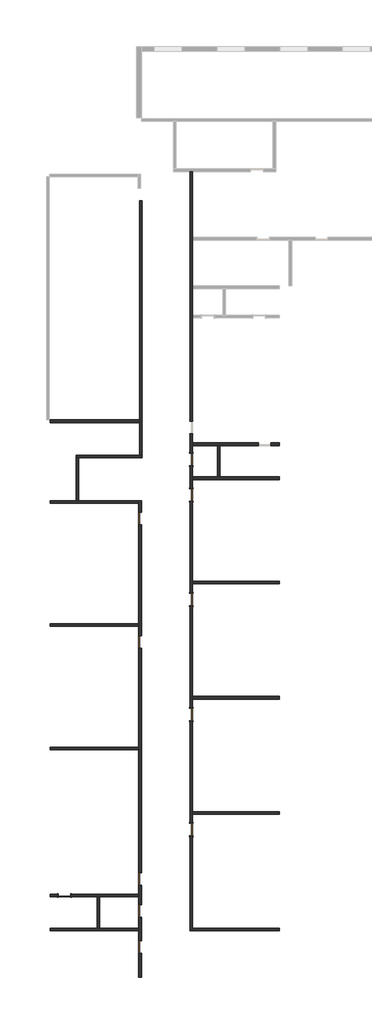
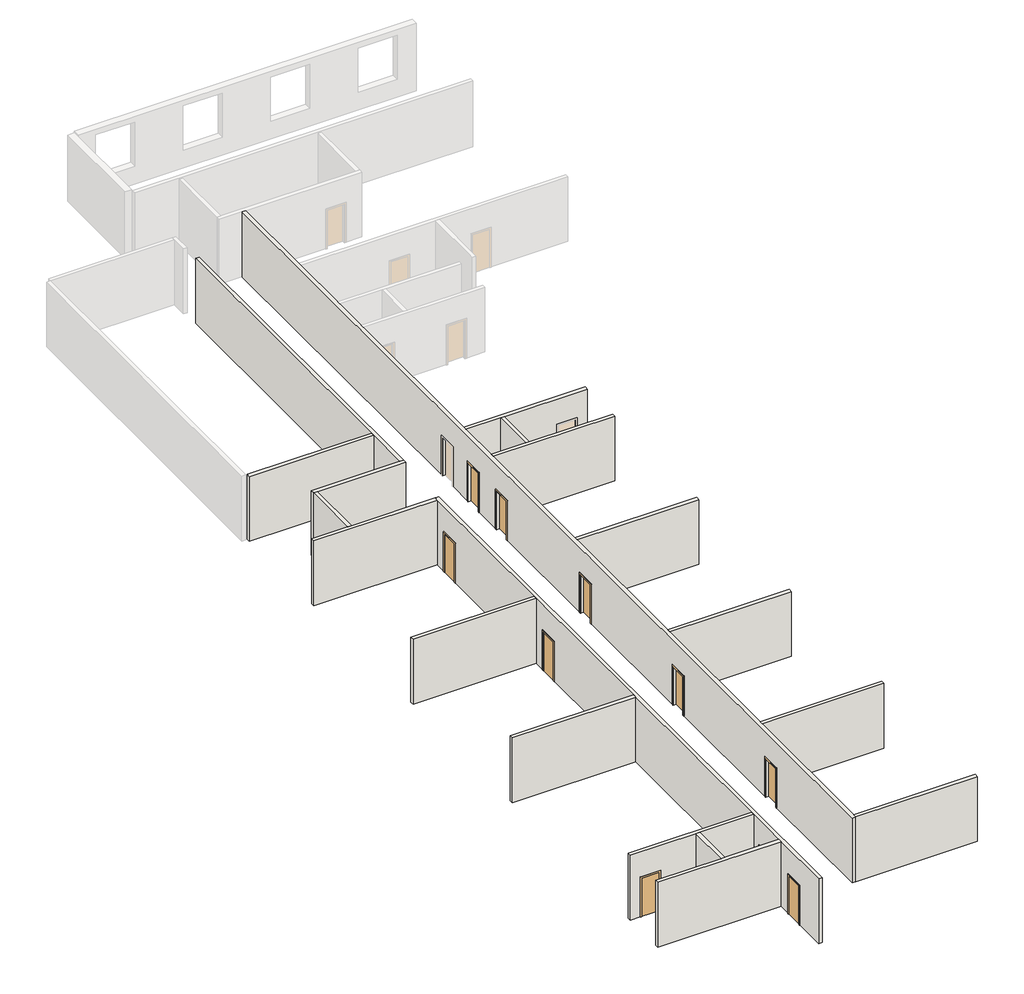
# One storey, part 1 of 2: 19 walls, 11 doors.
"""IFC4 building model written with IfcOpenShell, lengths in millimetres."""

import ifcopenshell
import ifcopenshell.guid

model = None  # the IFC model being written
_history = None  # IfcOwnerHistory: only IFC2X3 demands one
_inside = {}  # id of a spatial element -> (the spatial element, [elements in it])
_under = {}  # id of a project, library or spatial element -> (it, [spatial elements below it])
_declared = {}  # id of a project -> (the project, [libraries it declares])
_typed = {}  # id of a type object -> (the type object, [elements of that type])
_made_of = {}  # id of a material, layer set ... -> (it, [elements and type objects made of it])


def new_model(schema):
    """Start an empty IFC model of exactly this schema.

    Asked for "IFC4X3", IfcOpenShell would pick the latest addendum, in which some entities
    have other attributes; the version numbers below select the first issue.
    IFC2X3 requires an IfcOwnerHistory on every rooted entity: one is made here for all.
    """
    global model, _history
    if schema == "IFC4X3":
        model = ifcopenshell.file(schema_version=(4, 3, 0, 0))
    else:
        model = ifcopenshell.file(schema=schema)
    _inside.clear()
    _under.clear()
    _declared.clear()
    _typed.clear()
    _made_of.clear()
    _history = None
    if model.schema == "IFC2X3":
        org = make("IfcOrganization", Name="unknown")
        user = make(
            "IfcPersonAndOrganization",
            ThePerson=make("IfcPerson", FamilyName="unknown"),
            TheOrganization=org,
        )
        app = make(
            "IfcApplication",
            ApplicationDeveloper=org,
            Version="unknown",
            ApplicationFullName="unknown",
            ApplicationIdentifier="unknown",
        )
        _history = make(
            "IfcOwnerHistory",
            OwningUser=user,
            OwningApplication=app,
            ChangeAction="ADDED",
            CreationDate=0,
        )
    return model


def make(cls, **values):
    """One entity of the class cls with the attributes given. An attribute that is None is left unset."""
    return model.create_entity(
        cls, **{name: value for name, value in values.items() if value is not None}
    )


def rooted(cls, **values):
    """An entity with a GlobalId (a new one), such as an element, a storey or a relation."""
    return make(cls, GlobalId=ifcopenshell.guid.new(), OwnerHistory=_history, **values)


def si_unit(unit_type, name, prefix=None):
    """IfcSIUnit, for example si_unit("LENGTHUNIT", "METRE", prefix="MILLI")."""
    return make("IfcSIUnit", UnitType=unit_type, Prefix=prefix, Name=name)


def assignment(units):
    """IfcUnitAssignment: the units of a project."""
    return None if units is None else make("IfcUnitAssignment", Units=units)


def point(xyz):
    """IfcCartesianPoint."""
    return None if xyz is None else make("IfcCartesianPoint", Coordinates=xyz)


def direction(xyz):
    """IfcDirection."""
    return None if xyz is None else make("IfcDirection", DirectionRatios=xyz)


def frame(location, z_axis=None, x_axis=None):
    """IfcAxis2Placement3D, a coordinate frame: its origin and axes. An axis left out is left unset."""
    return make(
        "IfcAxis2Placement3D",
        Location=point(location),
        Axis=direction(z_axis),
        RefDirection=direction(x_axis),
    )


def origin():
    """The frame at (0, 0, 0) with its axes left unset."""
    return frame((0.0, 0.0, 0.0))


def origin_with_axes():
    """The frame at (0, 0, 0) with the z axis (0, 0, 1) and the x axis (1, 0, 0) written out."""
    return frame((0.0, 0.0, 0.0), z_axis=(0.0, 0.0, 1.0), x_axis=(1.0, 0.0, 0.0))


def place(relative_to, where):
    """IfcLocalPlacement: puts the frame where relative to a parent placement (None: the world)."""
    return make(
        "IfcLocalPlacement", PlacementRelTo=relative_to, RelativePlacement=where
    )


def context(
    kind, dimensions, precision=None, world=None, true_north=None, identifier=None
):
    """IfcGeometricRepresentationContext, for example the 3D "Model" context."""
    return make(
        "IfcGeometricRepresentationContext",
        ContextIdentifier=identifier,
        ContextType=kind,
        CoordinateSpaceDimension=dimensions,
        Precision=precision,
        WorldCoordinateSystem=world,
        TrueNorth=true_north,
    )


def project(units=None, contexts=None):
    """IfcProject with its units and contexts."""
    return rooted(
        "IfcProject",
        Name="project",
        RepresentationContexts=contexts,
        UnitsInContext=assignment(units),
    )


def spatial(cls, under=None, at=None, **own):
    """A site, building, storey or space (cls), placed at a placement, below another one or the project."""
    s = rooted(cls, ObjectPlacement=at, **own)
    if under is not None:
        _under.setdefault(under.id(), (under, []))[1].append(s)
    return s


def polyline(points):
    """IfcPolyline through the points."""
    return make("IfcPolyline", Points=[point(p) for p in points])


def outline(outer, holes=None, kind="AREA"):
    """IfcArbitraryClosedProfileDef: a profile drawn as a closed curve; with holes, ...WithVoids."""
    if holes is None:
        return make("IfcArbitraryClosedProfileDef", ProfileType=kind, OuterCurve=outer)
    return make(
        "IfcArbitraryProfileDefWithVoids",
        ProfileType=kind,
        OuterCurve=outer,
        InnerCurves=holes,
    )


def extrude(swept, where, along, depth):
    """IfcExtrudedAreaSolid: the profile swept, set in the frame where, extruded along a direction by depth."""
    return make(
        "IfcExtrudedAreaSolid",
        SweptArea=swept,
        Position=where,
        ExtrudedDirection=direction(along),
        Depth=depth,
    )


def faces_of(points, faces, orient=None, outer=None):
    """IfcFace entities. A face is a list of loops; a loop is a list of indices into points, from 0.

    orient and outer hold one flag for each loop. By default every Orientation is true, the
    first loop of a face is its IfcFaceOuterBound and the others are IfcFaceBound.
    """
    made = []
    for i, loops in enumerate(faces):
        bounds = []
        for j, loop in enumerate(loops):
            is_outer = j == 0 if outer is None else outer[i][j]
            bounds.append(
                make(
                    "IfcFaceOuterBound" if is_outer else "IfcFaceBound",
                    Bound=make("IfcPolyLoop", Polygon=[points[k] for k in loop]),
                    Orientation=True if orient is None else orient[i][j],
                )
            )
        made.append(make("IfcFace", Bounds=bounds))
    return made


def faceted_brep(points, faces, orient=None, outer=None, voids=None):
    """IfcFacetedBrep: a solid bounded by flat faces; with voids (closed shells), ...WithVoids."""
    shared = [point(p) for p in points]
    hull = make("IfcClosedShell", CfsFaces=faces_of(shared, faces, orient, outer))
    if voids is None:
        return make("IfcFacetedBrep", Outer=hull)
    return make(
        "IfcFacetedBrepWithVoids",
        Outer=hull,
        Voids=[
            make(cls, CfsFaces=faces_of(shared, fs, o, b)) for cls, fs, o, b in voids
        ],
    )


def shape(context_of_items, identifier, shape_type, items):
    """IfcShapeRepresentation: the items that make up one representation, for example the "Body"."""
    return make(
        "IfcShapeRepresentation",
        ContextOfItems=context_of_items,
        RepresentationIdentifier=identifier,
        RepresentationType=shape_type,
        Items=items,
    )


def source(mapping_origin, context_of_items, identifier, shape_type, items):
    """IfcRepresentationMap: a shape defined once, which mapped items show again and again."""
    return make(
        "IfcRepresentationMap",
        MappingOrigin=mapping_origin,
        MappedRepresentation=shape(context_of_items, identifier, shape_type, items),
    )


def transform(
    local_origin,
    x_axis=None,
    y_axis=None,
    z_axis=None,
    scale=None,
    scale2=None,
    scale3=None,
    uniform=True,
):
    """IfcCartesianTransformationOperator3D, or its non-uniform kind. x_axis, y_axis, z_axis: its Axis1, 2, 3."""
    if uniform:
        return make(
            "IfcCartesianTransformationOperator3D",
            Axis1=direction(x_axis),
            Axis2=direction(y_axis),
            LocalOrigin=point(local_origin),
            Scale=scale,
            Axis3=direction(z_axis),
        )
    return make(
        "IfcCartesianTransformationOperator3DnonUniform",
        Axis1=direction(x_axis),
        Axis2=direction(y_axis),
        LocalOrigin=point(local_origin),
        Scale=scale,
        Axis3=direction(z_axis),
        Scale2=scale2,
        Scale3=scale3,
    )


def mapped(mapping_source, mapping_target):
    """IfcMappedItem: shows the shape of a source again, moved by a transform."""
    return make(
        "IfcMappedItem", MappingSource=mapping_source, MappingTarget=mapping_target
    )


def made_of(thing, what):
    """Note that an element or type object is made of a material, layer set ...; save() writes the relation."""
    if what is not None:
        _made_of.setdefault(what.id(), (what, []))[1].append(thing)
    return thing


def element(
    cls,
    number,
    at=None,
    inside=None,
    cuts=None,
    type_object=None,
    material=None,
    context=None,
    identifier="Body",
    shape_type=None,
    held_by="IfcProductDefinitionShape",
    body=None,
    shapes=None,
    **own,
):
    """One element of the class cls, such as IfcWall. Its Tag is "e" and its number.

    at: its placement. inside: the storey or other place that contains it. cuts: it is an
    opening in that element (IfcRelVoidsElement). A single representation is given by context,
    identifier, shape_type and body (its items); several are given by shapes. held_by: the class
    of the entity that holds the representations. save() writes the other relations.
    """
    e = rooted(cls, Tag="e%d" % number, ObjectPlacement=at, **own)
    if body is not None:
        shapes = [shape(context, identifier, shape_type, body)]
    if shapes is not None:
        e.Representation = make(held_by, Representations=shapes)
    if inside is not None:
        _inside.setdefault(inside.id(), (inside, []))[1].append(e)
    if cuts is not None:
        rooted(
            "IfcRelVoidsElement", RelatingBuildingElement=cuts, RelatedOpeningElement=e
        )
    if type_object is not None:
        _typed.setdefault(type_object.id(), (type_object, []))[1].append(e)
    return made_of(e, material)


def aggregate(whole, parts):
    """IfcRelAggregates: a whole, such as a stair, and the parts it consists of."""
    return rooted("IfcRelAggregates", RelatingObject=whole, RelatedObjects=parts)


def save(model, path):
    """Write the relations noted so far, then the file.

    IfcRelAggregates (storeys below a building ...), IfcRelContainedInSpatialStructure (elements
    in a storey), IfcRelDefinesByType, IfcRelAssociatesMaterial and IfcRelDeclares: one each for
    every whole, place, type object, material and project.
    """
    for whole, parts in _under.values():
        aggregate(whole, parts)
    for where, things in _inside.values():
        rooted(
            "IfcRelContainedInSpatialStructure",
            RelatedElements=things,
            RelatingStructure=where,
        )
    for kind, things in _typed.values():
        rooted("IfcRelDefinesByType", RelatedObjects=things, RelatingType=kind)
    for what, things in _made_of.values():
        rooted("IfcRelAssociatesMaterial", RelatedObjects=things, RelatingMaterial=what)
    for by, libraries in _declared.values():
        rooted("IfcRelDeclares", RelatingContext=by, RelatedDefinitions=libraries)
    model.write(path)


def door_3426d443(model_context):
    return source(origin(), model_context, "Body", "SweptSolid", [
        extrude(outline(polyline([(2209.8, -533.4), (0.0, -533.4), (0.0, -457.2), (2133.6, -457.2), (2133.6, 457.2), (0.0, 457.2), (0.0, 533.4), (2209.8, 533.4), (2209.8, -533.4)])), frame((0.0, -122.2375, 0.0), z_axis=(0.0, 1.0, 0.0), x_axis=(0.0, 0.0, 1.0)), (0.0, 0.0, 1.0), 25.4),
        extrude(outline(polyline([(2209.8, 533.4), (2209.8, -533.4), (0.0, -533.4), (0.0, -457.2), (2133.6, -457.2), (2133.6, 457.2), (0.0, 457.2), (0.0, 533.4), (2209.8, 533.4)])), frame((0.0, 96.8375, 0.0), z_axis=(0.0, 1.0, 0.0), x_axis=(0.0, 0.0, 1.0)), (0.0, 0.0, 1.0), 25.4),
        extrude(outline(polyline([(457.2, -46.0375), (457.2, -96.8375), (-457.2, -96.8375), (-457.2, -46.0375), (457.2, -46.0375)])), origin_with_axes(), (0.0, 0.0, 1.0), 2133.6),
    ])


def door_d6d25fb4(model_context):
    return source(origin(), model_context, "Body", "SweptSolid", [
        extrude(outline(polyline([(2209.8, -533.4), (0.0, -533.4), (0.0, -457.2), (2133.6, -457.2), (2133.6, 457.2), (0.0, 457.2), (0.0, 533.4), (2209.8, 533.4), (2209.8, -533.4)])), frame((0.0, 96.8375, 0.0), z_axis=(0.0, 1.0, 0.0), x_axis=(0.0, 0.0, 1.0)), (0.0, 0.0, 1.0), 25.4),
        extrude(outline(polyline([(2209.8, 533.4), (2209.8, -533.4), (0.0, -533.4), (0.0, -457.2), (2133.6, -457.2), (2133.6, 457.2), (0.0, 457.2), (0.0, 533.4), (2209.8, 533.4)])), frame((0.0, -122.2375, 0.0), z_axis=(0.0, 1.0, 0.0), x_axis=(0.0, 0.0, 1.0)), (0.0, 0.0, 1.0), 25.4),
        extrude(outline(polyline([(457.2, 46.0375), (-457.2, 46.0375), (-457.2, 96.8375), (457.2, 96.8375), (457.2, 46.0375)])), origin_with_axes(), (0.0, 0.0, 1.0), 2133.6),
    ])


model = new_model("IFC4")

# Units and contexts
model_context = context("Model", 3, world=origin())
ifc_project = project(units=[si_unit("LENGTHUNIT", "METRE", prefix="MILLI")], contexts=[model_context])

# Site, building, storey
site = spatial("IfcSite", under=ifc_project)
building = spatial("IfcBuilding", under=site)
storey = spatial("IfcBuildingStorey", under=building, Elevation=3581.4)

# Doors
placement = place(None, origin())
door_shape = door_3426d443(model_context)
element("IfcDoor", 1, ObjectType="Single-Flush : 36\" x 84\" Black Door", at=placement, inside=storey, context=model_context, shape_type="MappedRepresentation", body=[
    mapped(door_shape, transform((-324689.9293555, 147253.9725981, 3581.4), x_axis=(0.0, 1.0, 0.0), y_axis=(-1.0, 0.0, 0.0), z_axis=(0.0, 0.0, 1.0))),
])
element("IfcDoor", 2, ObjectType="Single-Flush : 36\" x 84\" Black Door", at=placement, inside=storey, context=model_context, shape_type="MappedRepresentation", body=[
    mapped(door_shape, transform((-328407.8543555, 143677.3350981, 3581.4), x_axis=(0.0, -1.0, 0.0), y_axis=(1.0, 0.0, 0.0), z_axis=(0.0, 0.0, 1.0))),
])
element("IfcDoor", 3, ObjectType="Single-Flush : 36\" x 84\" Black Door", at=placement, inside=storey, context=model_context, shape_type="MappedRepresentation", body=[
    mapped(door_shape, transform((-324689.9293555, 155635.9725981, 3581.4), x_axis=(0.0, 1.0, 0.0), y_axis=(-1.0, 0.0, 0.0), z_axis=(0.0, 0.0, 1.0))),
])
element("IfcDoor", 4, ObjectType="Single-Flush : 36\" x 84\" Black Door", at=placement, inside=storey, context=model_context, shape_type="MappedRepresentation", body=[
    mapped(door_shape, transform((-324689.9293555, 164017.9725981, 3581.4), x_axis=(0.0, 1.0, 0.0), y_axis=(-1.0, 0.0, 0.0), z_axis=(0.0, 0.0, 1.0))),
])
door_2_shape = door_d6d25fb4(model_context)
element("IfcDoor", 5, ObjectType="Single-Flush : 36\" x 84\" Black Door", at=placement, inside=storey, context=model_context, shape_type="MappedRepresentation", body=[
    mapped(door_2_shape, transform((-328407.8543555, 138719.5725981, 3581.4), x_axis=(0.0, 1.0, 0.0), y_axis=(-1.0, 0.0, 0.0), z_axis=(0.0, 0.0, 1.0))),
])
element("IfcDoor", 6, ObjectType="Single-Flush : 36\" x 84\" Black Door", at=placement, inside=storey, context=model_context, shape_type="MappedRepresentation", body=[
    mapped(door_2_shape, transform((-328407.8543555, 141340.5350981, 3581.4), x_axis=(0.0, 1.0, 0.0), y_axis=(-1.0, 0.0, 0.0), z_axis=(0.0, 0.0, 1.0))),
])
element("IfcDoor", 7, ObjectType="Single-Flush : 36\" x 84\" Black Door", at=placement, inside=storey, context=model_context, shape_type="MappedRepresentation", body=[
    mapped(door_2_shape, transform((-333913.3043555, 142458.1350981, 3581.4), x_axis=(-1.0, 0.0, 0.0), y_axis=(0.0, -1.0, 0.0), z_axis=(0.0, 0.0, 1.0))),
])
element("IfcDoor", 8, ObjectType="Single-Flush : 36\" x 84\" Black Door", at=placement, inside=storey, context=model_context, shape_type="MappedRepresentation", body=[
    mapped(door_2_shape, transform((-328407.8543555, 160928.6975981, 3581.4), x_axis=(0.0, 1.0, 0.0), y_axis=(-1.0, 0.0, 0.0), z_axis=(0.0, 0.0, 1.0))),
])
element("IfcDoor", 9, ObjectType="Single-Flush : 36\" x 84\" Black Door", at=placement, inside=storey, context=model_context, shape_type="MappedRepresentation", body=[
    mapped(door_2_shape, transform((-328407.8543555, 169898.0725981, 3581.4), x_axis=(0.0, 1.0, 0.0), y_axis=(-1.0, 0.0, 0.0), z_axis=(0.0, 0.0, 1.0))),
])
element("IfcDoor", 10, ObjectType="Single-Flush : 36\" x 84\" Black Door", at=placement, inside=storey, context=model_context, shape_type="MappedRepresentation", body=[
    mapped(door_2_shape, transform((-324689.9293555, 171625.2725981, 3581.4), x_axis=(0.0, -1.0, 0.0), y_axis=(1.0, 0.0, 0.0), z_axis=(0.0, 0.0, 1.0))),
])
element("IfcDoor", 11, ObjectType="Single-Flush : 36\" x 84\" Black Door", at=placement, inside=storey, context=model_context, shape_type="MappedRepresentation", body=[
    mapped(door_2_shape, transform((-324689.9293555, 174187.4975981, 3581.4), x_axis=(0.0, -1.0, 0.0), y_axis=(1.0, 0.0, 0.0), z_axis=(0.0, 0.0, 1.0))),
])

# Walls
element("IfcWall", 12, ObjectType="CMU", at=placement, inside=storey, context=model_context, shape_type="Brep", body=[
    faceted_brep([(-328311.0168555, 170355.2725981, 5715.0), (-328311.0168555, 170355.2725981, 3581.4), (-328311.0168555, 171214.1100981, 3581.4), (-328311.0168555, 171214.1100981, 7162.8), (-328311.0168555, 136501.8350981, 7162.8), (-328311.0168555, 136501.8350981, 3581.4), (-328311.0168555, 138262.3725981, 3581.4), (-328311.0168555, 138262.3725981, 5715.0), (-328311.0168555, 139176.7725981, 5715.0), (-328311.0168555, 139176.7725981, 3581.4), (-328311.0168555, 140883.3350981, 3581.4), (-328311.0168555, 140883.3350981, 5715.0), (-328311.0168555, 141797.7350981, 5715.0), (-328311.0168555, 141797.7350981, 3581.4), (-328311.0168555, 143220.1350981, 3581.4), (-328311.0168555, 143220.1350981, 5715.0), (-328311.0168555, 144134.5350981, 5715.0), (-328311.0168555, 144134.5350981, 3581.4), (-328311.0168555, 160471.4975981, 3581.4), (-328311.0168555, 160471.4975981, 5715.0), (-328311.0168555, 161385.8975981, 5715.0), (-328311.0168555, 161385.8975981, 3581.4), (-328311.0168555, 169440.8725981, 3581.4), (-328311.0168555, 169440.8725981, 5715.0), (-328504.6918555, 171214.1100981, 3581.4), (-328504.6918555, 171020.4350981, 3581.4), (-328504.6918555, 170355.2725981, 3581.4), (-328504.6918555, 170355.2725981, 5715.0), (-328504.6918555, 169440.8725981, 5715.0), (-328504.6918555, 169440.8725981, 3581.4), (-328504.6918555, 162244.7350981, 3581.4), (-328504.6918555, 162051.0600981, 3581.4), (-328504.6918555, 161385.8975981, 3581.4), (-328504.6918555, 161385.8975981, 5715.0), (-328504.6918555, 160471.4975981, 5715.0), (-328504.6918555, 160471.4975981, 3581.4), (-328504.6918555, 153253.1350981, 3581.4), (-328504.6918555, 153059.4600981, 3581.4), (-328504.6918555, 144134.5350981, 3581.4), (-328504.6918555, 144134.5350981, 5715.0), (-328504.6918555, 143220.1350981, 5715.0), (-328504.6918555, 143220.1350981, 3581.4), (-328504.6918555, 142554.9725981, 3581.4), (-328504.6918555, 142361.2975981, 3581.4), (-328504.6918555, 141797.7350981, 3581.4), (-328504.6918555, 141797.7350981, 5715.0), (-328504.6918555, 140883.3350981, 5715.0), (-328504.6918555, 140883.3350981, 3581.4), (-328504.6918555, 140086.4100981, 3581.4), (-328504.6918555, 139892.7350981, 3581.4), (-328504.6918555, 139176.7725981, 3581.4), (-328504.6918555, 139176.7725981, 5715.0), (-328504.6918555, 138262.3725981, 5715.0), (-328504.6918555, 138262.3725981, 3581.4), (-328504.6918555, 136501.8350981, 3581.4), (-328504.6918555, 136501.8350981, 7162.8), (-328504.6918555, 139892.7350981, 7162.8), (-328504.6918555, 140086.4100981, 7162.8), (-328504.6918555, 142361.2975981, 7162.8), (-328504.6918555, 142554.9725981, 7162.8), (-328504.6918555, 153059.4600981, 7162.8), (-328504.6918555, 153253.1350981, 7162.8), (-328504.6918555, 162051.0600981, 7162.8), (-328504.6918555, 162244.7350981, 7162.8), (-328504.6918555, 171020.4350981, 7162.8), (-328504.6918555, 171214.1100981, 7162.8)], [[[0, 1, 2, 3, 4, 5, 6, 7, 8, 9, 10, 11, 12, 13, 14, 15, 16, 17, 18, 19, 20, 21, 22, 23]], [[24, 25, 26, 27, 28, 29, 30, 31, 32, 33, 34, 35, 36, 37, 38, 39, 40, 41, 42, 43, 44, 45, 46, 47, 48, 49, 50, 51, 52, 53, 54, 55, 56, 57, 58, 59, 60, 61, 62, 63, 64, 65]], [[6, 5, 54, 53]], [[10, 9, 50, 49, 48, 47]], [[44, 43, 42, 41, 14, 13]], [[18, 17, 38, 37, 36, 35]], [[22, 21, 32, 31, 30, 29]], [[2, 1, 26, 25, 24]], [[4, 3, 65, 64, 63, 62, 61, 60, 59, 58, 57, 56, 55]], [[3, 2, 24, 65]], [[5, 4, 55, 54]], [[51, 50, 9, 8]], [[52, 51, 8, 7]], [[53, 52, 7, 6]], [[45, 44, 13, 12]], [[46, 45, 12, 11]], [[47, 46, 11, 10]], [[15, 14, 41, 40]], [[16, 15, 40, 39]], [[17, 16, 39, 38]], [[33, 32, 21, 20]], [[34, 33, 20, 19]], [[35, 34, 19, 18]], [[27, 26, 1, 0]], [[28, 27, 0, 23]], [[29, 28, 23, 22]]]),
])
element("IfcWall", 13, ObjectType="CMU", at=placement, inside=storey, context=model_context, shape_type="Brep", body=[
    faceted_brep([(-328504.6918555, 171214.1100981, 3581.4), (-332875.0793555, 171214.1100981, 3581.4), (-333068.7543555, 171214.1100981, 3581.4), (-334956.2918555, 171214.1100981, 3581.4), (-334956.2918555, 171214.1100981, 7162.8), (-333068.7543555, 171214.1100981, 7162.8), (-332875.0793555, 171214.1100981, 7162.8), (-328504.6918555, 171214.1100981, 7162.8), (-328504.6918555, 171020.4350981, 3581.4), (-328504.6918555, 171020.4350981, 7162.8), (-334956.2918555, 171020.4350981, 7162.8), (-334956.2918555, 171020.4350981, 3581.4)], [[[0, 1, 2, 3, 4, 5, 6, 7]], [[8, 9, 10, 11]], [[3, 2, 1, 0, 8, 11]], [[7, 6, 5, 4, 10, 9]], [[0, 7, 9, 8]], [[4, 3, 11, 10]]]),
])
element("IfcWall", 14, ObjectType="CMU", at=placement, inside=storey, context=model_context, shape_type="SweptSolid", body=[
    extrude(outline(polyline([(-328444.3668555, 176884.6600981), (-334956.2918555, 176884.6600981), (-334956.2918555, 177078.3350981), (-328444.3668555, 177078.3350981), (-328444.3668555, 176884.6600981)])), frame((0.0, 0.0, 3581.4), z_axis=(0.0, 0.0, 1.0), x_axis=(1.0, 0.0, 0.0)), (0.0, 0.0, 1.0), 3581.4),
])
element("IfcWall", 15, ObjectType="CMU", at=placement, inside=storey, context=model_context, shape_type="Brep", body=[
    faceted_brep([(-324593.0918555, 174644.6975981, 3581.4), (-324593.0918555, 175208.2600981, 3581.4), (-324593.0918555, 175401.9350981, 3581.4), (-324593.0918555, 176067.0975981, 3581.4), (-324593.0918555, 176067.0975981, 5715.0), (-324593.0918555, 176981.4975981, 5715.0), (-324593.0918555, 176981.4975981, 3581.4), (-324593.0918555, 184504.6600981, 3581.4), (-324593.0918555, 184698.3350981, 3581.4), (-324593.0918555, 186638.2600981, 3581.4), (-324593.0918555, 186831.9350981, 3581.4), (-324593.0918555, 190172.0350981, 3581.4), (-324593.0918555, 190365.7100981, 3581.4), (-324593.0918555, 195155.1975981, 3581.4), (-324593.0918555, 195155.1975981, 7162.8), (-324593.0918555, 190365.7100981, 7162.8), (-324593.0918555, 190172.0350981, 7162.8), (-324593.0918555, 186831.9350981, 7162.8), (-324593.0918555, 186638.2600981, 7162.8), (-324593.0918555, 184698.3350981, 7162.8), (-324593.0918555, 184504.6600981, 7162.8), (-324593.0918555, 175401.9350981, 7162.8), (-324593.0918555, 175208.2600981, 7162.8), (-324593.0918555, 172933.3725981, 7162.8), (-324593.0918555, 172739.6975981, 7162.8), (-324593.0918555, 165334.0100981, 7162.8), (-324593.0918555, 165140.3350981, 7162.8), (-324593.0918555, 156952.0100981, 7162.8), (-324593.0918555, 156758.3350981, 7162.8), (-324593.0918555, 148570.0100981, 7162.8), (-324593.0918555, 148376.3350981, 7162.8), (-324593.0918555, 140086.4100981, 7162.8), (-324593.0918555, 139892.7350981, 7162.8), (-324593.0918555, 139892.7350981, 3581.4), (-324593.0918555, 140086.4100981, 3581.4), (-324593.0918555, 146796.7725981, 3581.4), (-324593.0918555, 146796.7725981, 5715.0), (-324593.0918555, 147711.1725981, 5715.0), (-324593.0918555, 147711.1725981, 3581.4), (-324593.0918555, 148376.3350981, 3581.4), (-324593.0918555, 148570.0100981, 3581.4), (-324593.0918555, 155178.7725981, 3581.4), (-324593.0918555, 155178.7725981, 5715.0), (-324593.0918555, 156093.1725981, 5715.0), (-324593.0918555, 156093.1725981, 3581.4), (-324593.0918555, 156758.3350981, 3581.4), (-324593.0918555, 156952.0100981, 3581.4), (-324593.0918555, 163560.7725981, 3581.4), (-324593.0918555, 163560.7725981, 5715.0), (-324593.0918555, 164475.1725981, 5715.0), (-324593.0918555, 164475.1725981, 3581.4), (-324593.0918555, 165140.3350981, 3581.4), (-324593.0918555, 165334.0100981, 3581.4), (-324593.0918555, 171168.0725981, 3581.4), (-324593.0918555, 171168.0725981, 5715.0), (-324593.0918555, 172082.4725981, 5715.0), (-324593.0918555, 172082.4725981, 3581.4), (-324593.0918555, 172739.6975981, 3581.4), (-324593.0918555, 172933.3725981, 3581.4), (-324593.0918555, 173730.2975981, 3581.4), (-324593.0918555, 173730.2975981, 5715.0), (-324593.0918555, 174644.6975981, 5715.0), (-324786.7668555, 176067.0975981, 5715.0), (-324786.7668555, 176067.0975981, 3581.4), (-324786.7668555, 174644.6975981, 3581.4), (-324786.7668555, 174644.6975981, 5715.0), (-324786.7668555, 173730.2975981, 5715.0), (-324786.7668555, 173730.2975981, 3581.4), (-324786.7668555, 172082.4725981, 3581.4), (-324786.7668555, 172082.4725981, 5715.0), (-324786.7668555, 171168.0725981, 5715.0), (-324786.7668555, 171168.0725981, 3581.4), (-324786.7668555, 164475.1725981, 3581.4), (-324786.7668555, 164475.1725981, 5715.0), (-324786.7668555, 163560.7725981, 5715.0), (-324786.7668555, 163560.7725981, 3581.4), (-324786.7668555, 156093.1725981, 3581.4), (-324786.7668555, 156093.1725981, 5715.0), (-324786.7668555, 155178.7725981, 5715.0), (-324786.7668555, 155178.7725981, 3581.4), (-324786.7668555, 147711.1725981, 3581.4), (-324786.7668555, 147711.1725981, 5715.0), (-324786.7668555, 146796.7725981, 5715.0), (-324786.7668555, 146796.7725981, 3581.4), (-324786.7668555, 139892.7350981, 3581.4), (-324786.7668555, 139892.7350981, 7162.8), (-324786.7668555, 195155.1975981, 7162.8), (-324786.7668555, 195155.1975981, 3581.4), (-324786.7668555, 176981.4975981, 3581.4), (-324786.7668555, 176981.4975981, 5715.0)], [[[0, 1, 2, 3, 4, 5, 6, 7, 8, 9, 10, 11, 12, 13, 14, 15, 16, 17, 18, 19, 20, 21, 22, 23, 24, 25, 26, 27, 28, 29, 30, 31, 32, 33, 34, 35, 36, 37, 38, 39, 40, 41, 42, 43, 44, 45, 46, 47, 48, 49, 50, 51, 52, 53, 54, 55, 56, 57, 58, 59, 60, 61]], [[62, 63, 64, 65, 66, 67, 68, 69, 70, 71, 72, 73, 74, 75, 76, 77, 78, 79, 80, 81, 82, 83, 84, 85, 86, 87, 88, 89]], [[35, 34, 33, 84, 83]], [[41, 40, 39, 38, 80, 79]], [[47, 46, 45, 44, 76, 75]], [[72, 71, 53, 52, 51, 50]], [[68, 67, 59, 58, 57, 56]], [[88, 87, 13, 12, 11, 10, 9, 8, 7, 6]], [[64, 63, 3, 2, 1, 0]], [[32, 31, 30, 29, 28, 27, 26, 25, 24, 23, 22, 21, 20, 19, 18, 17, 16, 15, 14, 86, 85]], [[33, 32, 85, 84]], [[14, 13, 87, 86]], [[81, 80, 38, 37]], [[82, 81, 37, 36]], [[83, 82, 36, 35]], [[77, 76, 44, 43]], [[78, 77, 43, 42]], [[79, 78, 42, 41]], [[73, 72, 50, 49]], [[74, 73, 49, 48]], [[75, 74, 48, 47]], [[54, 53, 71, 70]], [[55, 54, 70, 69]], [[56, 55, 69, 68]], [[60, 59, 67, 66]], [[61, 60, 66, 65]], [[0, 61, 65, 64]], [[4, 3, 63, 62]], [[5, 4, 62, 89]], [[6, 5, 89, 88]]]),
])
element("IfcWall", 16, ObjectType="CMU", at=placement, inside=storey, context=model_context, shape_type="SweptSolid", body=[
    extrude(outline(polyline([(-318239.9168555, 148376.3350981), (-324593.0918555, 148376.3350981), (-324593.0918555, 148570.0100981), (-318239.9168555, 148570.0100981), (-318239.9168555, 148376.3350981)])), frame((0.0, 0.0, 3581.4), z_axis=(0.0, 0.0, 1.0), x_axis=(1.0, 0.0, 0.0)), (0.0, 0.0, 1.0), 3581.4),
])
element("IfcWall", 17, ObjectType="CMU", at=placement, inside=storey, context=model_context, shape_type="SweptSolid", body=[
    extrude(outline(polyline([(-334956.2918555, 153253.1350981), (-328504.6918555, 153253.1350981), (-328504.6918555, 153059.4600981), (-334956.2918555, 153059.4600981), (-334956.2918555, 153253.1350981)])), frame((0.0, 0.0, 3581.4), z_axis=(0.0, 0.0, 1.0), x_axis=(1.0, 0.0, 0.0)), (0.0, 0.0, 1.0), 3581.4),
])
element("IfcWall", 18, ObjectType="CMU", at=placement, inside=storey, context=model_context, shape_type="SweptSolid", body=[
    extrude(outline(polyline([(-318239.9168555, 156758.3350981), (-324593.0918555, 156758.3350981), (-324593.0918555, 156952.0100981), (-318239.9168555, 156952.0100981), (-318239.9168555, 156758.3350981)])), frame((0.0, 0.0, 3581.4), z_axis=(0.0, 0.0, 1.0), x_axis=(1.0, 0.0, 0.0)), (0.0, 0.0, 1.0), 3581.4),
])
element("IfcWall", 19, ObjectType="CMU", at=placement, inside=storey, context=model_context, shape_type="SweptSolid", body=[
    extrude(outline(polyline([(-334956.2918555, 162244.7350981), (-328504.6918555, 162244.7350981), (-328504.6918555, 162051.0600981), (-334956.2918555, 162051.0600981), (-334956.2918555, 162244.7350981)])), frame((0.0, 0.0, 3581.4), z_axis=(0.0, 0.0, 1.0), x_axis=(1.0, 0.0, 0.0)), (0.0, 0.0, 1.0), 3581.4),
])
element("IfcWall", 20, ObjectType="CMU", at=placement, inside=storey, context=model_context, shape_type="SweptSolid", body=[
    extrude(outline(polyline([(-318239.9168555, 165140.3350981), (-324593.0918555, 165140.3350981), (-324593.0918555, 165334.0100981), (-318239.9168555, 165334.0100981), (-318239.9168555, 165140.3350981)])), frame((0.0, 0.0, 3581.4), z_axis=(0.0, 0.0, 1.0), x_axis=(1.0, 0.0, 0.0)), (0.0, 0.0, 1.0), 3581.4),
])
element("IfcWall", 21, ObjectType="CMU", at=placement, inside=storey, context=model_context, shape_type="Brep", body=[
    faceted_brep([(-328250.6918555, 174516.1100981, 3581.4), (-328250.6918555, 193020.1420048, 3581.4), (-328250.6918555, 193020.1420048, 7162.8), (-328250.6918555, 174516.1100981, 7162.8), (-328444.3668555, 174516.1100981, 3581.4), (-328444.3668555, 174516.1100981, 7162.8), (-328444.3668555, 176884.6600981, 7162.8), (-328444.3668555, 177078.3350981, 7162.8), (-328444.3668555, 193020.1420048, 7162.8), (-328444.3668555, 193020.1420048, 3581.4), (-328444.3668555, 177078.3350981, 3581.4), (-328444.3668555, 176884.6600981, 3581.4)], [[[0, 1, 2, 3]], [[4, 5, 6, 7, 8, 9, 10, 11]], [[1, 0, 4, 11, 10, 9]], [[2, 1, 9, 8]], [[3, 2, 8, 7, 6, 5]], [[0, 3, 5, 4]]]),
])
element("IfcWall", 22, ObjectType="CMU", at=placement, inside=storey, context=model_context, shape_type="Brep", body=[
    faceted_brep([(-334956.2918555, 139892.7350981, 3581.4), (-328504.6918555, 139892.7350981, 3581.4), (-328504.6918555, 139892.7350981, 7162.8), (-334956.2918555, 139892.7350981, 7162.8), (-334956.2918555, 140086.4100981, 3581.4), (-334956.2918555, 140086.4100981, 7162.8), (-331535.2293555, 140086.4100981, 7162.8), (-331341.5543555, 140086.4100981, 7162.8), (-328504.6918555, 140086.4100981, 7162.8), (-328504.6918555, 140086.4100981, 3581.4), (-331341.5543555, 140086.4100981, 3581.4), (-331535.2293555, 140086.4100981, 3581.4)], [[[0, 1, 2, 3]], [[4, 5, 6, 7, 8, 9, 10, 11]], [[1, 0, 4, 11, 10, 9]], [[3, 2, 8, 7, 6, 5]], [[2, 1, 9, 8]], [[0, 3, 5, 4]]]),
])
element("IfcWall", 23, ObjectType="CMU", at=placement, inside=storey, context=model_context, shape_type="SweptSolid", body=[
    extrude(outline(polyline([(-318239.9168555, 139892.7350981), (-324593.0918555, 139892.7350981), (-324593.0918555, 140086.4100981), (-318239.9168555, 140086.4100981), (-318239.9168555, 139892.7350981)])), frame((0.0, 0.0, 3581.4), z_axis=(0.0, 0.0, 1.0), x_axis=(1.0, 0.0, 0.0)), (0.0, 0.0, 1.0), 3581.4),
])
element("IfcWall", 24, ObjectType="CMU", at=placement, inside=storey, context=model_context, shape_type="SweptSolid", body=[
    extrude(outline(polyline([(-322590.7350157, 175208.2600981), (-322590.7350157, 172933.3725981), (-322784.4100157, 172933.3725981), (-322784.4100157, 175208.2600981), (-322590.7350157, 175208.2600981)])), frame((0.0, 0.0, 3581.4), z_axis=(0.0, 0.0, 1.0), x_axis=(1.0, 0.0, 0.0)), (0.0, 0.0, 1.0), 3581.4),
])
element("IfcWall", 25, ObjectType="CMU", at=placement, inside=storey, context=model_context, shape_type="Brep", body=[
    faceted_brep([(-318876.5043555, 175208.2600981, 5715.0), (-318876.5043555, 175208.2600981, 3581.4), (-318239.9168555, 175208.2600981, 3581.4), (-318239.9168555, 175208.2600981, 7162.8), (-322590.7350157, 175208.2600981, 7162.8), (-322784.4100157, 175208.2600981, 7162.8), (-324593.0918555, 175208.2600981, 7162.8), (-324593.0918555, 175208.2600981, 3581.4), (-322784.4100157, 175208.2600981, 3581.4), (-322590.7350157, 175208.2600981, 3581.4), (-319790.9043555, 175208.2600981, 3581.4), (-319790.9043555, 175208.2600981, 5715.0), (-318239.9168555, 175401.9350981, 3581.4), (-318876.5043555, 175401.9350981, 3581.4), (-318876.5043555, 175401.9350981, 5715.0), (-319790.9043555, 175401.9350981, 5715.0), (-319790.9043555, 175401.9350981, 3581.4), (-324593.0918555, 175401.9350981, 3581.4), (-324593.0918555, 175401.9350981, 7162.8), (-318239.9168555, 175401.9350981, 7162.8)], [[[0, 1, 2, 3, 4, 5, 6, 7, 8, 9, 10, 11]], [[12, 13, 14, 15, 16, 17, 18, 19]], [[2, 1, 13, 12]], [[10, 9, 8, 7, 17, 16]], [[6, 5, 4, 3, 19, 18]], [[3, 2, 12, 19]], [[7, 6, 18, 17]], [[14, 13, 1, 0]], [[15, 14, 0, 11]], [[16, 15, 11, 10]]]),
])
element("IfcWall", 26, ObjectType="CMU", at=placement, inside=storey, context=model_context, shape_type="Brep", body=[
    faceted_brep([(-333068.7543555, 174322.4350981, 3581.4), (-332875.0793555, 174322.4350981, 3581.4), (-328250.6918555, 174322.4350981, 3581.4), (-328250.6918555, 174322.4350981, 7162.8), (-332875.0793555, 174322.4350981, 7162.8), (-333068.7543555, 174322.4350981, 7162.8), (-333068.7543555, 174516.1100981, 3581.4), (-333068.7543555, 174516.1100981, 7162.8), (-328444.3668555, 174516.1100981, 7162.8), (-328250.6918555, 174516.1100981, 7162.8), (-328250.6918555, 174516.1100981, 3581.4), (-328444.3668555, 174516.1100981, 3581.4)], [[[0, 1, 2, 3, 4, 5]], [[6, 7, 8, 9, 10, 11]], [[2, 1, 0, 6, 11, 10]], [[5, 4, 3, 9, 8, 7]], [[0, 5, 7, 6]], [[3, 2, 10, 9]]]),
])
element("IfcWall", 27, ObjectType="CMU", at=placement, inside=storey, context=model_context, shape_type="SweptSolid", body=[
    extrude(outline(polyline([(-332875.0793555, 174322.4350981), (-332875.0793555, 171214.1100981), (-333068.7543555, 171214.1100981), (-333068.7543555, 174322.4350981), (-332875.0793555, 174322.4350981)])), frame((0.0, 0.0, 3581.4), z_axis=(0.0, 0.0, 1.0), x_axis=(1.0, 0.0, 0.0)), (0.0, 0.0, 1.0), 3581.4),
])
element("IfcWall", 28, ObjectType="CMU", at=placement, inside=storey, context=model_context, shape_type="Brep", body=[
    faceted_brep([(-324593.0918555, 172739.6975981, 3581.4), (-318239.9168555, 172739.6975981, 3581.4), (-318239.9168555, 172739.6975981, 7162.8), (-324593.0918555, 172739.6975981, 7162.8), (-324593.0918555, 172933.3725981, 3581.4), (-324593.0918555, 172933.3725981, 7162.8), (-322784.4100157, 172933.3725981, 7162.8), (-322590.7350157, 172933.3725981, 7162.8), (-318239.9168555, 172933.3725981, 7162.8), (-318239.9168555, 172933.3725981, 3581.4), (-322590.7350157, 172933.3725981, 3581.4), (-322784.4100157, 172933.3725981, 3581.4)], [[[0, 1, 2, 3]], [[4, 5, 6, 7, 8, 9, 10, 11]], [[1, 0, 4, 11, 10, 9]], [[3, 2, 8, 7, 6, 5]], [[2, 1, 9, 8]], [[0, 3, 5, 4]]]),
])
element("IfcWall", 29, ObjectType="CMU", at=placement, inside=storey, context=model_context, shape_type="Brep", body=[
    faceted_brep([(-334370.5043555, 142554.9725981, 5715.0), (-334370.5043555, 142554.9725981, 3581.4), (-334956.2918555, 142554.9725981, 3581.4), (-334956.2918555, 142554.9725981, 4572.0), (-334956.2918555, 142554.9725981, 7010.4), (-334956.2918555, 142554.9725981, 7162.8), (-328504.6918555, 142554.9725981, 7162.8), (-328504.6918555, 142554.9725981, 3581.4), (-333456.1043555, 142554.9725981, 3581.4), (-333456.1043555, 142554.9725981, 5715.0), (-334956.2918555, 142361.2975981, 3581.4), (-334370.5043555, 142361.2975981, 3581.4), (-334370.5043555, 142361.2975981, 5715.0), (-333456.1043555, 142361.2975981, 5715.0), (-333456.1043555, 142361.2975981, 3581.4), (-331535.2293555, 142361.2975981, 3581.4), (-331341.5543555, 142361.2975981, 3581.4), (-328504.6918555, 142361.2975981, 3581.4), (-328504.6918555, 142361.2975981, 7162.8), (-331341.5543555, 142361.2975981, 7162.8), (-331535.2293555, 142361.2975981, 7162.8), (-334956.2918555, 142361.2975981, 7162.8)], [[[0, 1, 2, 3, 4, 5, 6, 7, 8, 9]], [[10, 11, 12, 13, 14, 15, 16, 17, 18, 19, 20, 21]], [[8, 7, 17, 16, 15, 14]], [[2, 1, 11, 10]], [[6, 5, 21, 20, 19, 18]], [[7, 6, 18, 17]], [[5, 4, 3, 2, 10, 21]], [[12, 11, 1, 0]], [[13, 12, 0, 9]], [[14, 13, 9, 8]]]),
])
element("IfcWall", 30, ObjectType="CMU", at=placement, inside=storey, context=model_context, shape_type="SweptSolid", body=[
    extrude(outline(polyline([(-331535.2293555, 140086.4100981), (-331535.2293555, 142361.2975981), (-331341.5543555, 142361.2975981), (-331341.5543555, 140086.4100981), (-331535.2293555, 140086.4100981)])), frame((0.0, 0.0, 3581.4), z_axis=(0.0, 0.0, 1.0), x_axis=(1.0, 0.0, 0.0)), (0.0, 0.0, 1.0), 3581.4),
])

save(model, "model.ifc")
